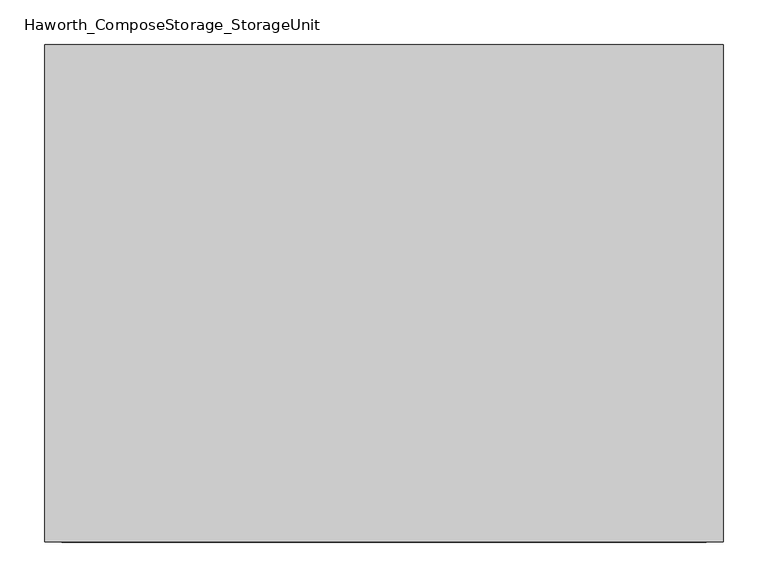
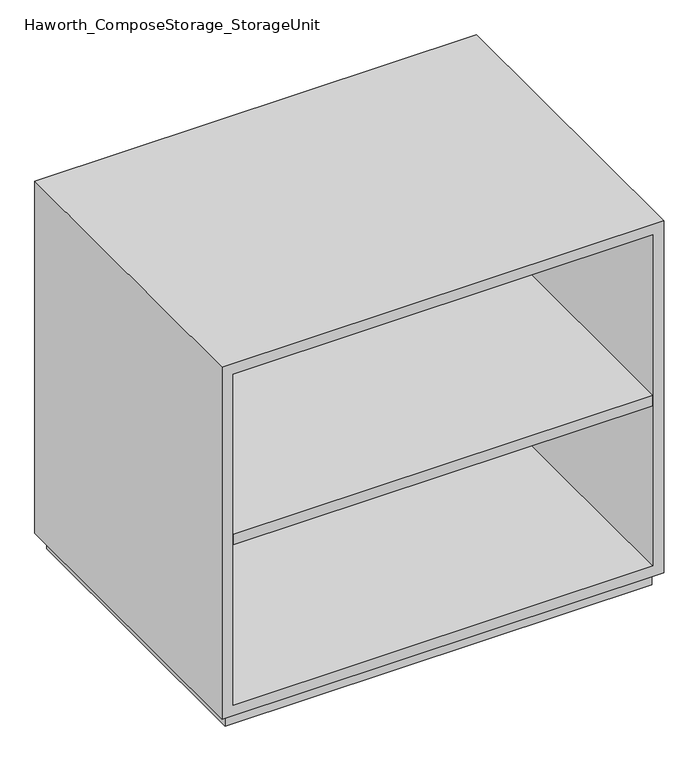
"""IFC4 building model written with IfcOpenShell, lengths in millimetres: furniture geometry, Haworth_ComposeStorage_StorageUnit."""

from ifc_helpers import new_model, si_unit, frame, origin, origin_with_axes, place, context, project, spatial, polyline, outline, extrude, source, transform, mapped, element, save


def haworth_composestorage_storageunit_29af8d16(model_context):
    return source(origin(), model_context, "Body", "SweptSolid", [
        extrude(outline(polyline([(361.9569453, 295.275), (361.9569453, -228.6), (-361.9291641, -228.6), (-361.9291641, 295.275), (361.9569453, 295.275)])), frame((0.0, 0.0, 336.55), z_axis=(0.0, 0.0, 1.0), x_axis=(1.0, 0.0, 0.0)), (0.0, 0.0, 1.0), 19.05),
        extrude(outline(polyline([(25.4, -380.9861094), (25.4, 381.0138906), (666.75, 381.0138906), (666.75, -380.9861094), (25.4, -380.9861094)]), holes=[polyline([(44.45, -361.9361094), (647.7, -361.9361094), (647.7, 361.9569453), (44.45, 361.9569453), (44.45, -361.9361094)])]), frame((0.0, -228.6, 0.0), z_axis=(0.0, 1.0, 0.0), x_axis=(0.0, 0.0, 1.0)), (0.0, 0.0, 1.0), 558.8),
        extrude(outline(polyline([(-361.9291641, 295.275), (-361.9291641, 304.8), (361.9569453, 304.8), (361.9569453, 295.275), (-361.9291641, 295.275)])), frame((0.0, 0.0, 44.45), z_axis=(0.0, 0.0, 1.0), x_axis=(1.0, 0.0, 0.0)), (0.0, 0.0, 1.0), 603.25),
        extrude(outline(polyline([(368.3138906, -215.9), (-368.2861094, -215.9), (-368.2861094, 317.5), (368.3138906, 317.5), (368.3138906, -215.9)])), origin_with_axes(), (0.0, 0.0, 1.0), 25.4),
    ])


if __name__ == "__main__":
    model = new_model("IFC4")
    model_context = context("Model", 3, world=origin())
    ifc_project = project(units=[si_unit("LENGTHUNIT", "METRE", prefix="MILLI")], contexts=[model_context])
    site = spatial("IfcSite", under=ifc_project)
    building = spatial("IfcBuilding", under=site)
    placement = place(None, origin())
    haworth_composestorage_storageunit_shape = haworth_composestorage_storageunit_29af8d16(model_context)
    element("IfcFurniture", 1, ObjectType="Haworth_ComposeStorage_StorageUnit", at=placement, inside=building, context=model_context, shape_type="MappedRepresentation", body=[
        mapped(haworth_composestorage_storageunit_shape, transform((0.0, 0.0, 0.0), x_axis=(1.0, 0.0, 0.0), y_axis=(0.0, 1.0, 0.0), z_axis=(0.0, 0.0, 1.0))),
    ])
    save(model, "model.ifc")
